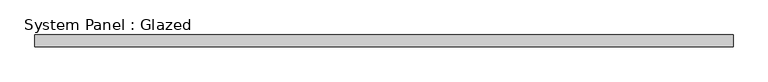
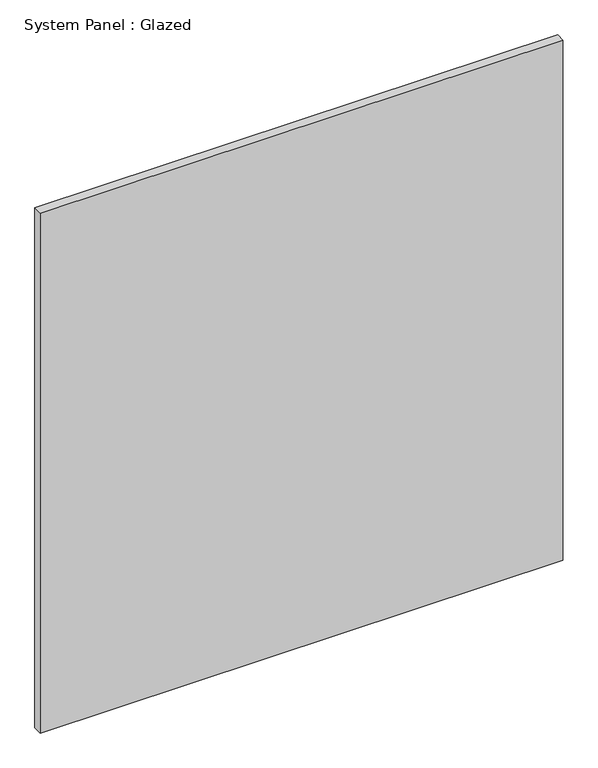
"""IFC4 building model written with IfcOpenShell, lengths in millimetres: plate geometry, System Panel : Glazed."""

from ifc_helpers import new_model, si_unit, origin, origin_with_axes, place, context, project, spatial, polyline, outline, extrude, source, transform, mapped, element, save


def system_panel_glazed_5e9305ef(model_context):
    return source(origin(), model_context, "Body", "SweptSolid", [
        extrude(outline(polyline([(725.0, 24.5), (-725.0, 24.5), (-725.0, 49.5), (725.0, 49.5), (725.0, 24.5)])), origin_with_axes(), (0.0, 0.0, 1.0), 1525.0),
    ])


if __name__ == "__main__":
    model = new_model("IFC4")
    model_context = context("Model", 3, world=origin())
    ifc_project = project(units=[si_unit("LENGTHUNIT", "METRE", prefix="MILLI")], contexts=[model_context])
    site = spatial("IfcSite", under=ifc_project)
    building = spatial("IfcBuilding", under=site)
    placement = place(None, origin())
    system_panel_glazed_shape = system_panel_glazed_5e9305ef(model_context)
    element("IfcPlate", 1, ObjectType="System Panel : Glazed", at=placement, inside=building, context=model_context, shape_type="MappedRepresentation", body=[
        mapped(system_panel_glazed_shape, transform((0.0, 0.0, 0.0), x_axis=(1.0, 0.0, 0.0), y_axis=(0.0, 1.0, 0.0), z_axis=(0.0, 0.0, 1.0))),
    ])
    save(model, "model.ifc")
